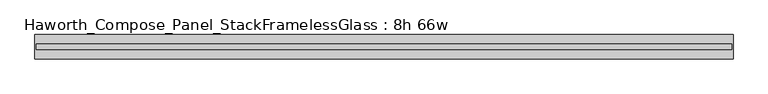
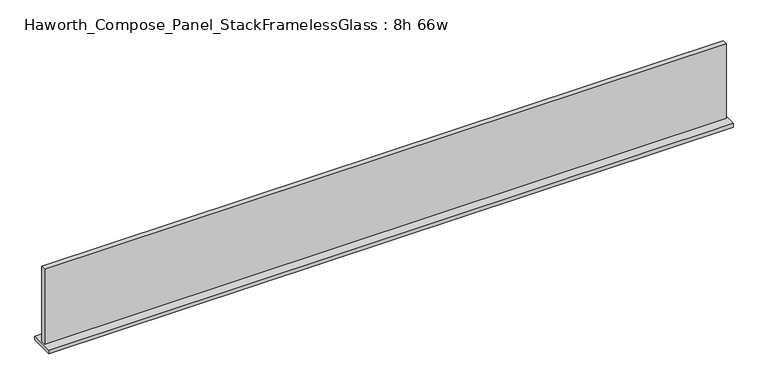
"""IFC4 building model written with IfcOpenShell, lengths in millimetres: furniture geometry, Haworth_Compose_Panel_StackFramelessGlass : 8h 66w."""

from ifc_helpers import new_model, si_unit, frame, origin, place, context, project, spatial, polyline, outline, extrude, source, transform, mapped, element, save


def haworth_compose_panel_stackframelessglass_8h_66w_a65342be(model_context):
    return source(origin(), model_context, "Body", "SweptSolid", [
        extrude(outline(polyline([(837.4652902, -27.3093594), (-832.5847098, -27.3093594), (-832.5847098, -14.6093594), (837.4652902, -14.6093594), (837.4652902, -27.3093594)])), frame((0.0, 0.0, 1279.525), z_axis=(0.0, 0.0, 1.0), x_axis=(1.0, 0.0, 0.0)), (0.0, 0.0, 1.0), 193.675),
        extrude(outline(polyline([(-835.7597098, -50.3281094), (-835.7597098, 8.4093906), (840.6402902, 8.4093906), (840.6402902, -50.3281094), (-835.7597098, -50.3281094)])), frame((0.0, 0.0, 1270.0), z_axis=(0.0, 0.0, 1.0), x_axis=(1.0, 0.0, 0.0)), (0.0, 0.0, 1.0), 9.525),
    ])


if __name__ == "__main__":
    model = new_model("IFC4")
    model_context = context("Model", 3, world=origin())
    ifc_project = project(units=[si_unit("LENGTHUNIT", "METRE", prefix="MILLI")], contexts=[model_context])
    site = spatial("IfcSite", under=ifc_project)
    building = spatial("IfcBuilding", under=site)
    placement = place(None, origin())
    haworth_compose_panel_stackframelessglass_8h_66w_shape = haworth_compose_panel_stackframelessglass_8h_66w_a65342be(model_context)
    element("IfcFurniture", 1, ObjectType="Haworth_Compose_Panel_StackFramelessGlass : 8h 66w", at=placement, inside=building, context=model_context, shape_type="MappedRepresentation", body=[
        mapped(haworth_compose_panel_stackframelessglass_8h_66w_shape, transform((0.0, 0.0, 0.0), x_axis=(1.0, 0.0, 0.0), y_axis=(0.0, 1.0, 0.0), z_axis=(0.0, 0.0, 1.0))),
    ])
    save(model, "model.ifc")
